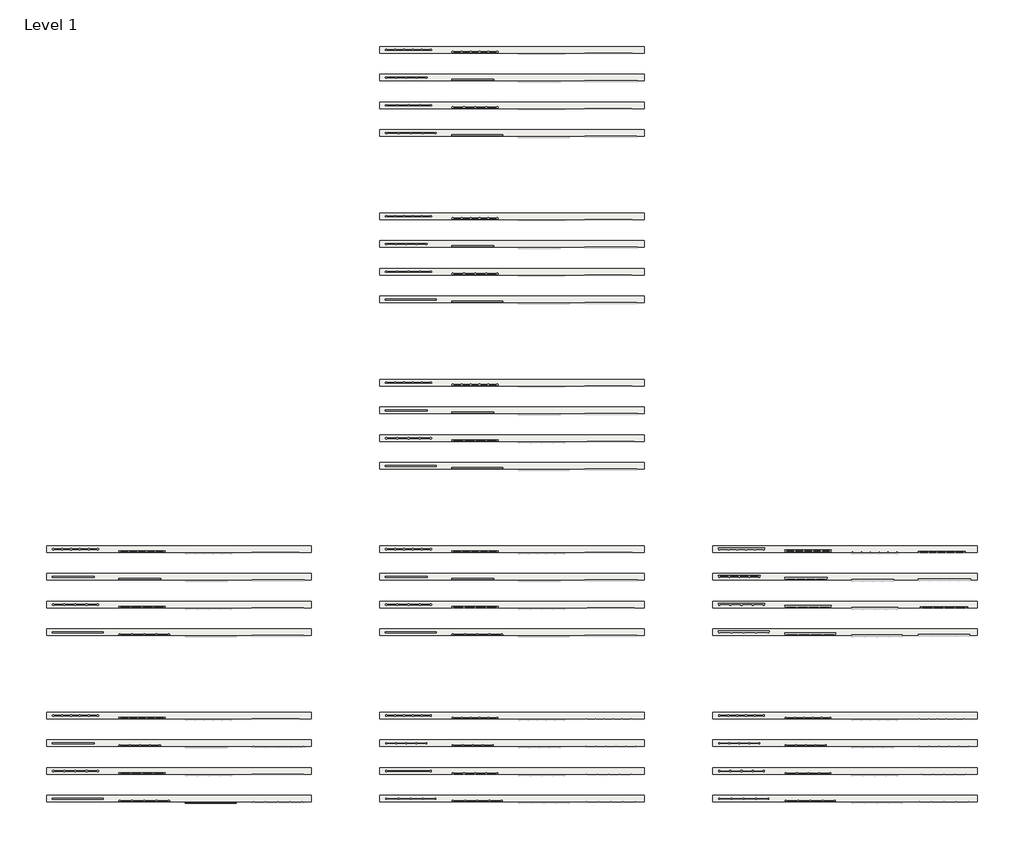
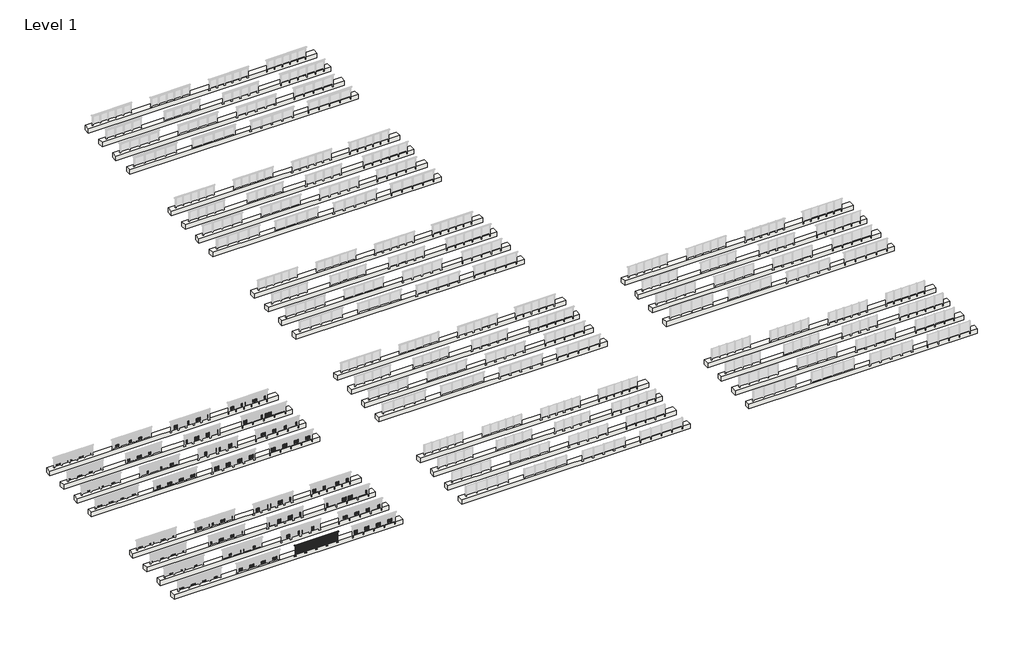
# One storey, part 1 of 37: 36 slabs, 1 railing.
"""IFC4 building model written with IfcOpenShell, lengths in millimetres."""

from ifc_helpers import new_model, si_unit, point, frame, frame_2d, origin, place, context, project, spatial, polyline, circle_curve, trimmed, segment, composite_curve, outline, extrude, faceted_brep, element, save

model = new_model("IFC4")

# Units and contexts
model_context = context("Model", 3, world=origin())
ifc_project = project(units=[si_unit("LENGTHUNIT", "METRE", prefix="MILLI")], contexts=[model_context])

# Site, building, storey
site = spatial("IfcSite", under=ifc_project)
building = spatial("IfcBuilding", under=site)
storey = spatial("IfcBuildingStorey", under=building, Name="Level 1", Elevation=0.0)

# Railing
placement = place(None, origin())
element("IfcRailing", 1, at=placement, inside=storey, context=model_context, shape_type="SolidModel", body=[
    faceted_brep([(11910.0, -152.3153172, 1100.0), (11910.0, -152.3153172, 1055.0), (11910.0, -212.3153172, 1055.0), (11910.0, -212.3153172, 1100.0), (12000.0, -152.3153172, 1100.0), (12000.0, -152.3153172, 1055.0), (12000.0, -212.3153172, 1055.0), (12000.0, -212.3153172, 1100.0), (16400.0, -152.3153172, 1100.0), (16400.0, -152.3153172, 1055.0), (16400.0, -212.3153172, 1055.0), (16400.0, -212.3153172, 1100.0), (16490.0, -152.3153172, 1100.0), (16490.0, -212.3153172, 1100.0), (16490.0, -212.3153172, 1055.0), (16490.0, -152.3153172, 1055.0)], [[[0, 1, 2, 3]], [[1, 0, 4, 5]], [[2, 1, 5, 6]], [[3, 2, 6, 7]], [[0, 3, 7, 4]], [[5, 4, 8, 9]], [[6, 5, 9, 10]], [[7, 6, 10, 11]], [[4, 7, 11, 8]], [[12, 13, 14, 15]], [[9, 8, 12, 15]], [[10, 9, 15, 14]], [[11, 10, 14, 13]], [[8, 11, 13, 12]]]),
    extrude(outline(polyline([(12000.0, -199.8153172), (12000.0, -164.8153172), (16400.0, -164.8153172), (16400.0, -199.8153172), (12000.0, -199.8153172)])), frame((0.0, 0.0, 930.0), z_axis=(0.0, 0.0, 1.0), x_axis=(1.0, 0.0, 0.0)), (0.0, 0.0, 1.0), 30.0),
    extrude(outline(polyline([(12000.0, -199.8153172), (12000.0, -164.8153172), (16400.0, -164.8153172), (16400.0, -199.8153172), (12000.0, -199.8153172)])), frame((0.0, 0.0, 95.0), z_axis=(0.0, 0.0, 1.0), x_axis=(1.0, 0.0, 0.0)), (0.0, 0.0, 1.0), 30.0),
    extrude(outline(polyline([(16308.5, -190.8153172), (16291.5, -190.8153172), (16291.5, -173.8153172), (16308.5, -173.8153172), (16308.5, -190.8153172)])), frame((0.0, 0.0, 125.0), z_axis=(0.0, 0.0, 1.0), x_axis=(1.0, 0.0, 0.0)), (0.0, 0.0, 1.0), 805.0),
    extrude(outline(polyline([(16208.5, -190.8153172), (16191.5, -190.8153172), (16191.5, -173.8153172), (16208.5, -173.8153172), (16208.5, -190.8153172)])), frame((0.0, 0.0, 125.0), z_axis=(0.0, 0.0, 1.0), x_axis=(1.0, 0.0, 0.0)), (0.0, 0.0, 1.0), 805.0),
    extrude(outline(polyline([(16108.5, -190.8153172), (16091.5, -190.8153172), (16091.5, -173.8153172), (16108.5, -173.8153172), (16108.5, -190.8153172)])), frame((0.0, 0.0, 125.0), z_axis=(0.0, 0.0, 1.0), x_axis=(1.0, 0.0, 0.0)), (0.0, 0.0, 1.0), 805.0),
    extrude(outline(polyline([(16008.5, -190.8153172), (15991.5, -190.8153172), (15991.5, -173.8153172), (16008.5, -173.8153172), (16008.5, -190.8153172)])), frame((0.0, 0.0, 125.0), z_axis=(0.0, 0.0, 1.0), x_axis=(1.0, 0.0, 0.0)), (0.0, 0.0, 1.0), 805.0),
    extrude(outline(polyline([(15908.5, -190.8153172), (15891.5, -190.8153172), (15891.5, -173.8153172), (15908.5, -173.8153172), (15908.5, -190.8153172)])), frame((0.0, 0.0, 125.0), z_axis=(0.0, 0.0, 1.0), x_axis=(1.0, 0.0, 0.0)), (0.0, 0.0, 1.0), 805.0),
    extrude(outline(polyline([(15808.5, -190.8153172), (15791.5, -190.8153172), (15791.5, -173.8153172), (15808.5, -173.8153172), (15808.5, -190.8153172)])), frame((0.0, 0.0, 125.0), z_axis=(0.0, 0.0, 1.0), x_axis=(1.0, 0.0, 0.0)), (0.0, 0.0, 1.0), 805.0),
    extrude(outline(polyline([(15708.5, -190.8153172), (15691.5, -190.8153172), (15691.5, -173.8153172), (15708.5, -173.8153172), (15708.5, -190.8153172)])), frame((0.0, 0.0, 125.0), z_axis=(0.0, 0.0, 1.0), x_axis=(1.0, 0.0, 0.0)), (0.0, 0.0, 1.0), 805.0),
    extrude(outline(polyline([(15608.5, -190.8153172), (15591.5, -190.8153172), (15591.5, -173.8153172), (15608.5, -173.8153172), (15608.5, -190.8153172)])), frame((0.0, 0.0, 125.0), z_axis=(0.0, 0.0, 1.0), x_axis=(1.0, 0.0, 0.0)), (0.0, 0.0, 1.0), 805.0),
    extrude(outline(polyline([(15508.5, -190.8153172), (15491.5, -190.8153172), (15491.5, -173.8153172), (15508.5, -173.8153172), (15508.5, -190.8153172)])), frame((0.0, 0.0, 125.0), z_axis=(0.0, 0.0, 1.0), x_axis=(1.0, 0.0, 0.0)), (0.0, 0.0, 1.0), 805.0),
    extrude(outline(polyline([(15408.5, -190.8153172), (15391.5, -190.8153172), (15391.5, -173.8153172), (15408.5, -173.8153172), (15408.5, -190.8153172)])), frame((0.0, 0.0, 125.0), z_axis=(0.0, 0.0, 1.0), x_axis=(1.0, 0.0, 0.0)), (0.0, 0.0, 1.0), 805.0),
    extrude(outline(composite_curve([segment(polyline([(-149.8153172, -70.0), (-115.8153172, -63.0), (-115.8153172, -32.5), (-99.8153172, -32.5), (-99.8153172, -167.5), (-115.8153172, -167.5), (-115.8153172, -113.5)]), True, "CONTINUOUS"), segment(trimmed(circle_curve(frame_2d((-135.8153172, -113.5)), 20.0), [point((-115.8153172, -113.5))], [point((-135.8153172, -93.5))], True, "CARTESIAN"), True, "CONTINUOUS"), segment(polyline([(-135.8153172, -93.5), (-219.8153172, -93.5), (-219.8153172, -70.0), (-149.8153172, -70.0)]), True, "CONTINUOUS")], self_intersect=False)), frame((15240.0, 0.0, 0.0), z_axis=(1.0, 0.0, 0.0), x_axis=(0.0, 1.0, 0.0)), (0.0, 0.0, 1.0), 120.0),
    extrude(outline(polyline([(15322.5, -149.8153172), (15322.5, -214.8153172), (15277.5, -214.8153172), (15277.5, -149.8153172), (15322.5, -149.8153172)])), frame((0.0, 0.0, -70.0), z_axis=(0.0, 0.0, 1.0), x_axis=(1.0, 0.0, 0.0)), (0.0, 0.0, 1.0), 1097.0),
    extrude(outline(polyline([(15310.0, -172.3153172), (15310.0, -192.3153172), (15290.0, -192.3153172), (15290.0, -172.3153172), (15310.0, -172.3153172)])), frame((0.0, 0.0, 1035.0), z_axis=(0.0, 0.0, 1.0), x_axis=(1.0, 0.0, 0.0)), (0.0, 0.0, 1.0), 20.0),
    extrude(outline(polyline([(15322.5, -149.8153172), (15322.5, -214.8153172), (15277.5, -214.8153172), (15277.5, -149.8153172), (15322.5, -149.8153172)])), frame((0.0, 0.0, 1027.0), z_axis=(0.0, 0.0, 1.0), x_axis=(1.0, 0.0, 0.0)), (0.0, 0.0, 1.0), 8.0),
    extrude(outline(polyline([(15208.5, -190.8153172), (15191.5, -190.8153172), (15191.5, -173.8153172), (15208.5, -173.8153172), (15208.5, -190.8153172)])), frame((0.0, 0.0, 125.0), z_axis=(0.0, 0.0, 1.0), x_axis=(1.0, 0.0, 0.0)), (0.0, 0.0, 1.0), 805.0),
    extrude(outline(polyline([(15108.5, -190.8153172), (15091.5, -190.8153172), (15091.5, -173.8153172), (15108.5, -173.8153172), (15108.5, -190.8153172)])), frame((0.0, 0.0, 125.0), z_axis=(0.0, 0.0, 1.0), x_axis=(1.0, 0.0, 0.0)), (0.0, 0.0, 1.0), 805.0),
    extrude(outline(polyline([(15008.5, -190.8153172), (14991.5, -190.8153172), (14991.5, -173.8153172), (15008.5, -173.8153172), (15008.5, -190.8153172)])), frame((0.0, 0.0, 125.0), z_axis=(0.0, 0.0, 1.0), x_axis=(1.0, 0.0, 0.0)), (0.0, 0.0, 1.0), 805.0),
    extrude(outline(polyline([(14908.5, -190.8153172), (14891.5, -190.8153172), (14891.5, -173.8153172), (14908.5, -173.8153172), (14908.5, -190.8153172)])), frame((0.0, 0.0, 125.0), z_axis=(0.0, 0.0, 1.0), x_axis=(1.0, 0.0, 0.0)), (0.0, 0.0, 1.0), 805.0),
    extrude(outline(polyline([(14808.5, -190.8153172), (14791.5, -190.8153172), (14791.5, -173.8153172), (14808.5, -173.8153172), (14808.5, -190.8153172)])), frame((0.0, 0.0, 125.0), z_axis=(0.0, 0.0, 1.0), x_axis=(1.0, 0.0, 0.0)), (0.0, 0.0, 1.0), 805.0),
    extrude(outline(polyline([(14708.5, -190.8153172), (14691.5, -190.8153172), (14691.5, -173.8153172), (14708.5, -173.8153172), (14708.5, -190.8153172)])), frame((0.0, 0.0, 125.0), z_axis=(0.0, 0.0, 1.0), x_axis=(1.0, 0.0, 0.0)), (0.0, 0.0, 1.0), 805.0),
    extrude(outline(polyline([(14608.5, -190.8153172), (14591.5, -190.8153172), (14591.5, -173.8153172), (14608.5, -173.8153172), (14608.5, -190.8153172)])), frame((0.0, 0.0, 125.0), z_axis=(0.0, 0.0, 1.0), x_axis=(1.0, 0.0, 0.0)), (0.0, 0.0, 1.0), 805.0),
    extrude(outline(polyline([(14508.5, -190.8153172), (14491.5, -190.8153172), (14491.5, -173.8153172), (14508.5, -173.8153172), (14508.5, -190.8153172)])), frame((0.0, 0.0, 125.0), z_axis=(0.0, 0.0, 1.0), x_axis=(1.0, 0.0, 0.0)), (0.0, 0.0, 1.0), 805.0),
    extrude(outline(polyline([(14408.5, -190.8153172), (14391.5, -190.8153172), (14391.5, -173.8153172), (14408.5, -173.8153172), (14408.5, -190.8153172)])), frame((0.0, 0.0, 125.0), z_axis=(0.0, 0.0, 1.0), x_axis=(1.0, 0.0, 0.0)), (0.0, 0.0, 1.0), 805.0),
    extrude(outline(polyline([(14308.5, -190.8153172), (14291.5, -190.8153172), (14291.5, -173.8153172), (14308.5, -173.8153172), (14308.5, -190.8153172)])), frame((0.0, 0.0, 125.0), z_axis=(0.0, 0.0, 1.0), x_axis=(1.0, 0.0, 0.0)), (0.0, 0.0, 1.0), 805.0),
    extrude(outline(composite_curve([segment(polyline([(-149.8153172, -70.0), (-115.8153172, -63.0), (-115.8153172, -32.5), (-99.8153172, -32.5), (-99.8153172, -167.5), (-115.8153172, -167.5), (-115.8153172, -113.5)]), True, "CONTINUOUS"), segment(trimmed(circle_curve(frame_2d((-135.8153172, -113.5)), 20.0), [point((-115.8153172, -113.5))], [point((-135.8153172, -93.5))], True, "CARTESIAN"), True, "CONTINUOUS"), segment(polyline([(-135.8153172, -93.5), (-219.8153172, -93.5), (-219.8153172, -70.0), (-149.8153172, -70.0)]), True, "CONTINUOUS")], self_intersect=False)), frame((14140.0, 0.0, 0.0), z_axis=(1.0, 0.0, 0.0), x_axis=(0.0, 1.0, 0.0)), (0.0, 0.0, 1.0), 120.0),
    extrude(outline(polyline([(14222.5, -149.8153172), (14222.5, -214.8153172), (14177.5, -214.8153172), (14177.5, -149.8153172), (14222.5, -149.8153172)])), frame((0.0, 0.0, -70.0), z_axis=(0.0, 0.0, 1.0), x_axis=(1.0, 0.0, 0.0)), (0.0, 0.0, 1.0), 1097.0),
    extrude(outline(polyline([(14210.0, -172.3153172), (14210.0, -192.3153172), (14190.0, -192.3153172), (14190.0, -172.3153172), (14210.0, -172.3153172)])), frame((0.0, 0.0, 1035.0), z_axis=(0.0, 0.0, 1.0), x_axis=(1.0, 0.0, 0.0)), (0.0, 0.0, 1.0), 20.0),
    extrude(outline(polyline([(14222.5, -149.8153172), (14222.5, -214.8153172), (14177.5, -214.8153172), (14177.5, -149.8153172), (14222.5, -149.8153172)])), frame((0.0, 0.0, 1027.0), z_axis=(0.0, 0.0, 1.0), x_axis=(1.0, 0.0, 0.0)), (0.0, 0.0, 1.0), 8.0),
    extrude(outline(polyline([(14108.5, -190.8153172), (14091.5, -190.8153172), (14091.5, -173.8153172), (14108.5, -173.8153172), (14108.5, -190.8153172)])), frame((0.0, 0.0, 125.0), z_axis=(0.0, 0.0, 1.0), x_axis=(1.0, 0.0, 0.0)), (0.0, 0.0, 1.0), 805.0),
    extrude(outline(polyline([(14008.5, -190.8153172), (13991.5, -190.8153172), (13991.5, -173.8153172), (14008.5, -173.8153172), (14008.5, -190.8153172)])), frame((0.0, 0.0, 125.0), z_axis=(0.0, 0.0, 1.0), x_axis=(1.0, 0.0, 0.0)), (0.0, 0.0, 1.0), 805.0),
    extrude(outline(polyline([(13908.5, -190.8153172), (13891.5, -190.8153172), (13891.5, -173.8153172), (13908.5, -173.8153172), (13908.5, -190.8153172)])), frame((0.0, 0.0, 125.0), z_axis=(0.0, 0.0, 1.0), x_axis=(1.0, 0.0, 0.0)), (0.0, 0.0, 1.0), 805.0),
    extrude(outline(polyline([(13808.5, -190.8153172), (13791.5, -190.8153172), (13791.5, -173.8153172), (13808.5, -173.8153172), (13808.5, -190.8153172)])), frame((0.0, 0.0, 125.0), z_axis=(0.0, 0.0, 1.0), x_axis=(1.0, 0.0, 0.0)), (0.0, 0.0, 1.0), 805.0),
    extrude(outline(polyline([(13708.5, -190.8153172), (13691.5, -190.8153172), (13691.5, -173.8153172), (13708.5, -173.8153172), (13708.5, -190.8153172)])), frame((0.0, 0.0, 125.0), z_axis=(0.0, 0.0, 1.0), x_axis=(1.0, 0.0, 0.0)), (0.0, 0.0, 1.0), 805.0),
    extrude(outline(polyline([(13608.5, -190.8153172), (13591.5, -190.8153172), (13591.5, -173.8153172), (13608.5, -173.8153172), (13608.5, -190.8153172)])), frame((0.0, 0.0, 125.0), z_axis=(0.0, 0.0, 1.0), x_axis=(1.0, 0.0, 0.0)), (0.0, 0.0, 1.0), 805.0),
    extrude(outline(polyline([(13508.5, -190.8153172), (13491.5, -190.8153172), (13491.5, -173.8153172), (13508.5, -173.8153172), (13508.5, -190.8153172)])), frame((0.0, 0.0, 125.0), z_axis=(0.0, 0.0, 1.0), x_axis=(1.0, 0.0, 0.0)), (0.0, 0.0, 1.0), 805.0),
    extrude(outline(polyline([(13408.5, -190.8153172), (13391.5, -190.8153172), (13391.5, -173.8153172), (13408.5, -173.8153172), (13408.5, -190.8153172)])), frame((0.0, 0.0, 125.0), z_axis=(0.0, 0.0, 1.0), x_axis=(1.0, 0.0, 0.0)), (0.0, 0.0, 1.0), 805.0),
    extrude(outline(polyline([(13308.5, -190.8153172), (13291.5, -190.8153172), (13291.5, -173.8153172), (13308.5, -173.8153172), (13308.5, -190.8153172)])), frame((0.0, 0.0, 125.0), z_axis=(0.0, 0.0, 1.0), x_axis=(1.0, 0.0, 0.0)), (0.0, 0.0, 1.0), 805.0),
    extrude(outline(polyline([(13208.5, -190.8153172), (13191.5, -190.8153172), (13191.5, -173.8153172), (13208.5, -173.8153172), (13208.5, -190.8153172)])), frame((0.0, 0.0, 125.0), z_axis=(0.0, 0.0, 1.0), x_axis=(1.0, 0.0, 0.0)), (0.0, 0.0, 1.0), 805.0),
    extrude(outline(composite_curve([segment(polyline([(-149.8153172, -70.0), (-115.8153172, -63.0), (-115.8153172, -32.5), (-99.8153172, -32.5), (-99.8153172, -167.5), (-115.8153172, -167.5), (-115.8153172, -113.5)]), True, "CONTINUOUS"), segment(trimmed(circle_curve(frame_2d((-135.8153172, -113.5)), 20.0), [point((-115.8153172, -113.5))], [point((-135.8153172, -93.5))], True, "CARTESIAN"), True, "CONTINUOUS"), segment(polyline([(-135.8153172, -93.5), (-219.8153172, -93.5), (-219.8153172, -70.0), (-149.8153172, -70.0)]), True, "CONTINUOUS")], self_intersect=False)), frame((13040.0, 0.0, 0.0), z_axis=(1.0, 0.0, 0.0), x_axis=(0.0, 1.0, 0.0)), (0.0, 0.0, 1.0), 120.0),
    extrude(outline(polyline([(13122.5, -149.8153172), (13122.5, -214.8153172), (13077.5, -214.8153172), (13077.5, -149.8153172), (13122.5, -149.8153172)])), frame((0.0, 0.0, -70.0), z_axis=(0.0, 0.0, 1.0), x_axis=(1.0, 0.0, 0.0)), (0.0, 0.0, 1.0), 1097.0),
    extrude(outline(polyline([(13110.0, -172.3153172), (13110.0, -192.3153172), (13090.0, -192.3153172), (13090.0, -172.3153172), (13110.0, -172.3153172)])), frame((0.0, 0.0, 1035.0), z_axis=(0.0, 0.0, 1.0), x_axis=(1.0, 0.0, 0.0)), (0.0, 0.0, 1.0), 20.0),
    extrude(outline(polyline([(13122.5, -149.8153172), (13122.5, -214.8153172), (13077.5, -214.8153172), (13077.5, -149.8153172), (13122.5, -149.8153172)])), frame((0.0, 0.0, 1027.0), z_axis=(0.0, 0.0, 1.0), x_axis=(1.0, 0.0, 0.0)), (0.0, 0.0, 1.0), 8.0),
    extrude(outline(polyline([(13008.5, -190.8153172), (12991.5, -190.8153172), (12991.5, -173.8153172), (13008.5, -173.8153172), (13008.5, -190.8153172)])), frame((0.0, 0.0, 125.0), z_axis=(0.0, 0.0, 1.0), x_axis=(1.0, 0.0, 0.0)), (0.0, 0.0, 1.0), 805.0),
    extrude(outline(polyline([(12908.5, -190.8153172), (12891.5, -190.8153172), (12891.5, -173.8153172), (12908.5, -173.8153172), (12908.5, -190.8153172)])), frame((0.0, 0.0, 125.0), z_axis=(0.0, 0.0, 1.0), x_axis=(1.0, 0.0, 0.0)), (0.0, 0.0, 1.0), 805.0),
    extrude(outline(polyline([(12808.5, -190.8153172), (12791.5, -190.8153172), (12791.5, -173.8153172), (12808.5, -173.8153172), (12808.5, -190.8153172)])), frame((0.0, 0.0, 125.0), z_axis=(0.0, 0.0, 1.0), x_axis=(1.0, 0.0, 0.0)), (0.0, 0.0, 1.0), 805.0),
    extrude(outline(polyline([(12708.5, -190.8153172), (12691.5, -190.8153172), (12691.5, -173.8153172), (12708.5, -173.8153172), (12708.5, -190.8153172)])), frame((0.0, 0.0, 125.0), z_axis=(0.0, 0.0, 1.0), x_axis=(1.0, 0.0, 0.0)), (0.0, 0.0, 1.0), 805.0),
    extrude(outline(polyline([(12608.5, -190.8153172), (12591.5, -190.8153172), (12591.5, -173.8153172), (12608.5, -173.8153172), (12608.5, -190.8153172)])), frame((0.0, 0.0, 125.0), z_axis=(0.0, 0.0, 1.0), x_axis=(1.0, 0.0, 0.0)), (0.0, 0.0, 1.0), 805.0),
    extrude(outline(polyline([(12508.5, -190.8153172), (12491.5, -190.8153172), (12491.5, -173.8153172), (12508.5, -173.8153172), (12508.5, -190.8153172)])), frame((0.0, 0.0, 125.0), z_axis=(0.0, 0.0, 1.0), x_axis=(1.0, 0.0, 0.0)), (0.0, 0.0, 1.0), 805.0),
    extrude(outline(polyline([(12408.5, -190.8153172), (12391.5, -190.8153172), (12391.5, -173.8153172), (12408.5, -173.8153172), (12408.5, -190.8153172)])), frame((0.0, 0.0, 125.0), z_axis=(0.0, 0.0, 1.0), x_axis=(1.0, 0.0, 0.0)), (0.0, 0.0, 1.0), 805.0),
    extrude(outline(polyline([(12308.5, -190.8153172), (12291.5, -190.8153172), (12291.5, -173.8153172), (12308.5, -173.8153172), (12308.5, -190.8153172)])), frame((0.0, 0.0, 125.0), z_axis=(0.0, 0.0, 1.0), x_axis=(1.0, 0.0, 0.0)), (0.0, 0.0, 1.0), 805.0),
    extrude(outline(polyline([(12208.5, -190.8153172), (12191.5, -190.8153172), (12191.5, -173.8153172), (12208.5, -173.8153172), (12208.5, -190.8153172)])), frame((0.0, 0.0, 125.0), z_axis=(0.0, 0.0, 1.0), x_axis=(1.0, 0.0, 0.0)), (0.0, 0.0, 1.0), 805.0),
    extrude(outline(polyline([(12108.5, -190.8153172), (12091.5, -190.8153172), (12091.5, -173.8153172), (12108.5, -173.8153172), (12108.5, -190.8153172)])), frame((0.0, 0.0, 125.0), z_axis=(0.0, 0.0, 1.0), x_axis=(1.0, 0.0, 0.0)), (0.0, 0.0, 1.0), 805.0),
    extrude(outline(composite_curve([segment(polyline([(-149.8153172, -70.0), (-115.8153172, -63.0), (-115.8153172, -32.5), (-99.8153172, -32.5), (-99.8153172, -167.5), (-115.8153172, -167.5), (-115.8153172, -113.5)]), True, "CONTINUOUS"), segment(trimmed(circle_curve(frame_2d((-135.8153172, -113.5)), 20.0), [point((-115.8153172, -113.5))], [point((-135.8153172, -93.5))], True, "CARTESIAN"), True, "CONTINUOUS"), segment(polyline([(-135.8153172, -93.5), (-219.8153172, -93.5), (-219.8153172, -70.0), (-149.8153172, -70.0)]), True, "CONTINUOUS")], self_intersect=False)), frame((16340.0, 0.0, 0.0), z_axis=(1.0, 0.0, 0.0), x_axis=(0.0, 1.0, 0.0)), (0.0, 0.0, 1.0), 120.0),
    extrude(outline(polyline([(16422.5, -149.8153172), (16422.5, -214.8153172), (16377.5, -214.8153172), (16377.5, -149.8153172), (16422.5, -149.8153172)])), frame((0.0, 0.0, -70.0), z_axis=(0.0, 0.0, 1.0), x_axis=(1.0, 0.0, 0.0)), (0.0, 0.0, 1.0), 1097.0),
    extrude(outline(polyline([(16410.0, -172.3153172), (16410.0, -192.3153172), (16390.0, -192.3153172), (16390.0, -172.3153172), (16410.0, -172.3153172)])), frame((0.0, 0.0, 1035.0), z_axis=(0.0, 0.0, 1.0), x_axis=(1.0, 0.0, 0.0)), (0.0, 0.0, 1.0), 20.0),
    extrude(outline(polyline([(16422.5, -149.8153172), (16422.5, -214.8153172), (16377.5, -214.8153172), (16377.5, -149.8153172), (16422.5, -149.8153172)])), frame((0.0, 0.0, 1027.0), z_axis=(0.0, 0.0, 1.0), x_axis=(1.0, 0.0, 0.0)), (0.0, 0.0, 1.0), 8.0),
    extrude(outline(composite_curve([segment(polyline([(-149.8153172, -70.0), (-115.8153172, -63.0), (-115.8153172, -32.5), (-99.8153172, -32.5), (-99.8153172, -167.5), (-115.8153172, -167.5), (-115.8153172, -113.5)]), True, "CONTINUOUS"), segment(trimmed(circle_curve(frame_2d((-135.8153172, -113.5)), 20.0), [point((-115.8153172, -113.5))], [point((-135.8153172, -93.5))], True, "CARTESIAN"), True, "CONTINUOUS"), segment(polyline([(-135.8153172, -93.5), (-219.8153172, -93.5), (-219.8153172, -70.0), (-149.8153172, -70.0)]), True, "CONTINUOUS")], self_intersect=False)), frame((11940.0, 0.0, 0.0), z_axis=(1.0, 0.0, 0.0), x_axis=(0.0, 1.0, 0.0)), (0.0, 0.0, 1.0), 120.0),
    extrude(outline(polyline([(12022.5, -149.8153172), (12022.5, -214.8153172), (11977.5, -214.8153172), (11977.5, -149.8153172), (12022.5, -149.8153172)])), frame((0.0, 0.0, -70.0), z_axis=(0.0, 0.0, 1.0), x_axis=(1.0, 0.0, 0.0)), (0.0, 0.0, 1.0), 1097.0),
    extrude(outline(polyline([(12010.0, -172.3153172), (12010.0, -192.3153172), (11990.0, -192.3153172), (11990.0, -172.3153172), (12010.0, -172.3153172)])), frame((0.0, 0.0, 1035.0), z_axis=(0.0, 0.0, 1.0), x_axis=(1.0, 0.0, 0.0)), (0.0, 0.0, 1.0), 20.0),
    extrude(outline(polyline([(12022.5, -149.8153172), (12022.5, -214.8153172), (11977.5, -214.8153172), (11977.5, -149.8153172), (12022.5, -149.8153172)])), frame((0.0, 0.0, 1027.0), z_axis=(0.0, 0.0, 1.0), x_axis=(1.0, 0.0, 0.0)), (0.0, 0.0, 1.0), 8.0),
])

# Slabs
element("IfcSlab", 2, ObjectType="Generic 500", at=placement, inside=storey, context=model_context, shape_type="SweptSolid", body=[
    extrude(outline(polyline([(23250.0, -99.8153172), (-600.0, -99.8153172), (-600.0, 490.1846828), (23250.0, 490.1846828), (23250.0, -99.8153172)])), frame((0.0, 0.0, -500.0), z_axis=(0.0, 0.0, 1.0), x_axis=(1.0, 0.0, 0.0)), (0.0, 0.0, 1.0), 500.0),
])
element("IfcSlab", 3, ObjectType="Generic 500", at=placement, inside=storey, context=model_context, shape_type="SweptSolid", body=[
    extrude(outline(polyline([(23250.0, 2400.1846828), (-600.0, 2400.1846828), (-600.0, 2990.1846828), (23250.0, 2990.1846828), (23250.0, 2400.1846828)])), frame((0.0, 0.0, -500.0), z_axis=(0.0, 0.0, 1.0), x_axis=(1.0, 0.0, 0.0)), (0.0, 0.0, 1.0), 500.0),
])
element("IfcSlab", 4, ObjectType="Generic 500", at=placement, inside=storey, context=model_context, shape_type="SweptSolid", body=[
    extrude(outline(polyline([(23250.0, 4900.1846828), (-600.0, 4900.1846828), (-600.0, 5490.1846828), (23250.0, 5490.1846828), (23250.0, 4900.1846828)])), frame((0.0, 0.0, -500.0), z_axis=(0.0, 0.0, 1.0), x_axis=(1.0, 0.0, 0.0)), (0.0, 0.0, 1.0), 500.0),
])
element("IfcSlab", 5, ObjectType="Generic 500", at=placement, inside=storey, context=model_context, shape_type="SweptSolid", body=[
    extrude(outline(polyline([(23250.0, 7400.1846828), (-600.0, 7400.1846828), (-600.0, 7990.1846828), (23250.0, 7990.1846828), (23250.0, 7400.1846828)])), frame((0.0, 0.0, -500.0), z_axis=(0.0, 0.0, 1.0), x_axis=(1.0, 0.0, 0.0)), (0.0, 0.0, 1.0), 500.0),
])
element("IfcSlab", 6, ObjectType="Generic 500", at=placement, inside=storey, context=model_context, shape_type="SweptSolid", body=[
    extrude(outline(polyline([(23250.0, 14900.1846828), (-600.0, 14900.1846828), (-600.0, 15490.1846828), (23250.0, 15490.1846828), (23250.0, 14900.1846828)])), frame((0.0, 0.0, -500.0), z_axis=(0.0, 0.0, 1.0), x_axis=(1.0, 0.0, 0.0)), (0.0, 0.0, 1.0), 500.0),
])
element("IfcSlab", 7, ObjectType="Generic 500", at=placement, inside=storey, context=model_context, shape_type="SweptSolid", body=[
    extrude(outline(polyline([(23250.0, 17400.1846828), (-600.0, 17400.1846828), (-600.0, 17990.1846828), (23250.0, 17990.1846828), (23250.0, 17400.1846828)])), frame((0.0, 0.0, -500.0), z_axis=(0.0, 0.0, 1.0), x_axis=(1.0, 0.0, 0.0)), (0.0, 0.0, 1.0), 500.0),
])
element("IfcSlab", 8, ObjectType="Generic 500", at=placement, inside=storey, context=model_context, shape_type="SweptSolid", body=[
    extrude(outline(polyline([(23250.0, 19900.1846828), (-600.0, 19900.1846828), (-600.0, 20490.1846828), (23250.0, 20490.1846828), (23250.0, 19900.1846828)])), frame((0.0, 0.0, -500.0), z_axis=(0.0, 0.0, 1.0), x_axis=(1.0, 0.0, 0.0)), (0.0, 0.0, 1.0), 500.0),
])
element("IfcSlab", 9, ObjectType="Generic 500", at=placement, inside=storey, context=model_context, shape_type="SweptSolid", body=[
    extrude(outline(polyline([(23250.0, 22400.1846828), (-600.0, 22400.1846828), (-600.0, 22990.1846828), (23250.0, 22990.1846828), (23250.0, 22400.1846828)])), frame((0.0, 0.0, -500.0), z_axis=(0.0, 0.0, 1.0), x_axis=(1.0, 0.0, 0.0)), (0.0, 0.0, 1.0), 500.0),
])
element("IfcSlab", 10, ObjectType="Generic 500", at=placement, inside=storey, context=model_context, shape_type="SweptSolid", body=[
    extrude(outline(polyline([(53250.0, 14900.1846828), (29400.0, 14900.1846828), (29400.0, 15490.1846828), (53250.0, 15490.1846828), (53250.0, 14900.1846828)])), frame((0.0, 0.0, -500.0), z_axis=(0.0, 0.0, 1.0), x_axis=(1.0, 0.0, 0.0)), (0.0, 0.0, 1.0), 500.0),
])
element("IfcSlab", 11, ObjectType="Generic 500", at=placement, inside=storey, context=model_context, shape_type="SweptSolid", body=[
    extrude(outline(polyline([(53250.0, 17400.1846828), (29400.0, 17400.1846828), (29400.0, 17990.1846828), (53250.0, 17990.1846828), (53250.0, 17400.1846828)])), frame((0.0, 0.0, -500.0), z_axis=(0.0, 0.0, 1.0), x_axis=(1.0, 0.0, 0.0)), (0.0, 0.0, 1.0), 500.0),
])
element("IfcSlab", 12, ObjectType="Generic 500", at=placement, inside=storey, context=model_context, shape_type="SweptSolid", body=[
    extrude(outline(polyline([(53250.0, 19900.1846828), (29400.0, 19900.1846828), (29400.0, 20490.1846828), (53250.0, 20490.1846828), (53250.0, 19900.1846828)])), frame((0.0, 0.0, -500.0), z_axis=(0.0, 0.0, 1.0), x_axis=(1.0, 0.0, 0.0)), (0.0, 0.0, 1.0), 500.0),
])
element("IfcSlab", 13, ObjectType="Generic 500", at=placement, inside=storey, context=model_context, shape_type="SweptSolid", body=[
    extrude(outline(polyline([(53250.0, 22400.1846828), (29400.0, 22400.1846828), (29400.0, 22990.1846828), (53250.0, 22990.1846828), (53250.0, 22400.1846828)])), frame((0.0, 0.0, -500.0), z_axis=(0.0, 0.0, 1.0), x_axis=(1.0, 0.0, 0.0)), (0.0, 0.0, 1.0), 500.0),
])
element("IfcSlab", 14, ObjectType="Generic 500", at=placement, inside=storey, context=model_context, shape_type="SweptSolid", body=[
    extrude(outline(polyline([(53250.0, -99.8153172), (29400.0, -99.8153172), (29400.0, 490.1846828), (53250.0, 490.1846828), (53250.0, -99.8153172)])), frame((0.0, 0.0, -500.0), z_axis=(0.0, 0.0, 1.0), x_axis=(1.0, 0.0, 0.0)), (0.0, 0.0, 1.0), 500.0),
])
element("IfcSlab", 15, ObjectType="Generic 500", at=placement, inside=storey, context=model_context, shape_type="SweptSolid", body=[
    extrude(outline(polyline([(53250.0, 2400.1846828), (29400.0, 2400.1846828), (29400.0, 2990.1846828), (53250.0, 2990.1846828), (53250.0, 2400.1846828)])), frame((0.0, 0.0, -500.0), z_axis=(0.0, 0.0, 1.0), x_axis=(1.0, 0.0, 0.0)), (0.0, 0.0, 1.0), 500.0),
])
element("IfcSlab", 16, ObjectType="Generic 500", at=placement, inside=storey, context=model_context, shape_type="SweptSolid", body=[
    extrude(outline(polyline([(53250.0, 4900.1846828), (29400.0, 4900.1846828), (29400.0, 5490.1846828), (53250.0, 5490.1846828), (53250.0, 4900.1846828)])), frame((0.0, 0.0, -500.0), z_axis=(0.0, 0.0, 1.0), x_axis=(1.0, 0.0, 0.0)), (0.0, 0.0, 1.0), 500.0),
])
element("IfcSlab", 17, ObjectType="Generic 500", at=placement, inside=storey, context=model_context, shape_type="SweptSolid", body=[
    extrude(outline(polyline([(53250.0, 7400.1846828), (29400.0, 7400.1846828), (29400.0, 7990.1846828), (53250.0, 7990.1846828), (53250.0, 7400.1846828)])), frame((0.0, 0.0, -500.0), z_axis=(0.0, 0.0, 1.0), x_axis=(1.0, 0.0, 0.0)), (0.0, 0.0, 1.0), 500.0),
])
element("IfcSlab", 18, ObjectType="Generic 500", at=placement, inside=storey, context=model_context, shape_type="SweptSolid", body=[
    extrude(outline(polyline([(53250.0, 29900.1846828), (29400.0, 29900.1846828), (29400.0, 30490.1846828), (53250.0, 30490.1846828), (53250.0, 29900.1846828)])), frame((0.0, 0.0, -500.0), z_axis=(0.0, 0.0, 1.0), x_axis=(1.0, 0.0, 0.0)), (0.0, 0.0, 1.0), 500.0),
])
element("IfcSlab", 19, ObjectType="Generic 500", at=placement, inside=storey, context=model_context, shape_type="SweptSolid", body=[
    extrude(outline(polyline([(53250.0, 32400.1846828), (29400.0, 32400.1846828), (29400.0, 32990.1846828), (53250.0, 32990.1846828), (53250.0, 32400.1846828)])), frame((0.0, 0.0, -500.0), z_axis=(0.0, 0.0, 1.0), x_axis=(1.0, 0.0, 0.0)), (0.0, 0.0, 1.0), 500.0),
])
element("IfcSlab", 20, ObjectType="Generic 500", at=placement, inside=storey, context=model_context, shape_type="SweptSolid", body=[
    extrude(outline(polyline([(53250.0, 34900.1846828), (29400.0, 34900.1846828), (29400.0, 35490.1846828), (53250.0, 35490.1846828), (53250.0, 34900.1846828)])), frame((0.0, 0.0, -500.0), z_axis=(0.0, 0.0, 1.0), x_axis=(1.0, 0.0, 0.0)), (0.0, 0.0, 1.0), 500.0),
])
element("IfcSlab", 21, ObjectType="Generic 500", at=placement, inside=storey, context=model_context, shape_type="SweptSolid", body=[
    extrude(outline(polyline([(53250.0, 37400.1846828), (29400.0, 37400.1846828), (29400.0, 37990.1846828), (53250.0, 37990.1846828), (53250.0, 37400.1846828)])), frame((0.0, 0.0, -500.0), z_axis=(0.0, 0.0, 1.0), x_axis=(1.0, 0.0, 0.0)), (0.0, 0.0, 1.0), 500.0),
])
element("IfcSlab", 22, ObjectType="Generic 500", at=placement, inside=storey, context=model_context, shape_type="SweptSolid", body=[
    extrude(outline(polyline([(53250.0, 44900.1846828), (29400.0, 44900.1846828), (29400.0, 45490.1846828), (53250.0, 45490.1846828), (53250.0, 44900.1846828)])), frame((0.0, 0.0, -500.0), z_axis=(0.0, 0.0, 1.0), x_axis=(1.0, 0.0, 0.0)), (0.0, 0.0, 1.0), 500.0),
])
element("IfcSlab", 23, ObjectType="Generic 500", at=placement, inside=storey, context=model_context, shape_type="SweptSolid", body=[
    extrude(outline(polyline([(53250.0, 47400.1846828), (29400.0, 47400.1846828), (29400.0, 47990.1846828), (53250.0, 47990.1846828), (53250.0, 47400.1846828)])), frame((0.0, 0.0, -500.0), z_axis=(0.0, 0.0, 1.0), x_axis=(1.0, 0.0, 0.0)), (0.0, 0.0, 1.0), 500.0),
])
element("IfcSlab", 24, ObjectType="Generic 500", at=placement, inside=storey, context=model_context, shape_type="SweptSolid", body=[
    extrude(outline(polyline([(53250.0, 49900.1846828), (29400.0, 49900.1846828), (29400.0, 50490.1846828), (53250.0, 50490.1846828), (53250.0, 49900.1846828)])), frame((0.0, 0.0, -500.0), z_axis=(0.0, 0.0, 1.0), x_axis=(1.0, 0.0, 0.0)), (0.0, 0.0, 1.0), 500.0),
])
element("IfcSlab", 25, ObjectType="Generic 500", at=placement, inside=storey, context=model_context, shape_type="SweptSolid", body=[
    extrude(outline(polyline([(53250.0, 52400.1846828), (29400.0, 52400.1846828), (29400.0, 52990.1846828), (53250.0, 52990.1846828), (53250.0, 52400.1846828)])), frame((0.0, 0.0, -500.0), z_axis=(0.0, 0.0, 1.0), x_axis=(1.0, 0.0, 0.0)), (0.0, 0.0, 1.0), 500.0),
])
element("IfcSlab", 26, ObjectType="Generic 500", at=placement, inside=storey, context=model_context, shape_type="SweptSolid", body=[
    extrude(outline(polyline([(53250.0, 59900.1846828), (29400.0, 59900.1846828), (29400.0, 60490.1846828), (53250.0, 60490.1846828), (53250.0, 59900.1846828)])), frame((0.0, 0.0, -500.0), z_axis=(0.0, 0.0, 1.0), x_axis=(1.0, 0.0, 0.0)), (0.0, 0.0, 1.0), 500.0),
])
element("IfcSlab", 27, ObjectType="Generic 500", at=placement, inside=storey, context=model_context, shape_type="SweptSolid", body=[
    extrude(outline(polyline([(53250.0, 62400.1846828), (29400.0, 62400.1846828), (29400.0, 62990.1846828), (53250.0, 62990.1846828), (53250.0, 62400.1846828)])), frame((0.0, 0.0, -500.0), z_axis=(0.0, 0.0, 1.0), x_axis=(1.0, 0.0, 0.0)), (0.0, 0.0, 1.0), 500.0),
])
element("IfcSlab", 28, ObjectType="Generic 500", at=placement, inside=storey, context=model_context, shape_type="SweptSolid", body=[
    extrude(outline(polyline([(53250.0, 64900.1846828), (29400.0, 64900.1846828), (29400.0, 65490.1846828), (53250.0, 65490.1846828), (53250.0, 64900.1846828)])), frame((0.0, 0.0, -500.0), z_axis=(0.0, 0.0, 1.0), x_axis=(1.0, 0.0, 0.0)), (0.0, 0.0, 1.0), 500.0),
])
element("IfcSlab", 29, ObjectType="Generic 500", at=placement, inside=storey, context=model_context, shape_type="SweptSolid", body=[
    extrude(outline(polyline([(53250.0, 67400.1846828), (29400.0, 67400.1846828), (29400.0, 67990.1846828), (53250.0, 67990.1846828), (53250.0, 67400.1846828)])), frame((0.0, 0.0, -500.0), z_axis=(0.0, 0.0, 1.0), x_axis=(1.0, 0.0, 0.0)), (0.0, 0.0, 1.0), 500.0),
])
element("IfcSlab", 30, ObjectType="Generic 500", at=placement, inside=storey, context=model_context, shape_type="SweptSolid", body=[
    extrude(outline(polyline([(83250.0, -99.8153172), (59400.0, -99.8153172), (59400.0, 490.1846828), (83250.0, 490.1846828), (83250.0, -99.8153172)])), frame((0.0, 0.0, -500.0), z_axis=(0.0, 0.0, 1.0), x_axis=(1.0, 0.0, 0.0)), (0.0, 0.0, 1.0), 500.0),
])
element("IfcSlab", 31, ObjectType="Generic 500", at=placement, inside=storey, context=model_context, shape_type="SweptSolid", body=[
    extrude(outline(polyline([(83250.0, 2400.1846828), (59400.0, 2400.1846828), (59400.0, 2990.1846828), (83250.0, 2990.1846828), (83250.0, 2400.1846828)])), frame((0.0, 0.0, -500.0), z_axis=(0.0, 0.0, 1.0), x_axis=(1.0, 0.0, 0.0)), (0.0, 0.0, 1.0), 500.0),
])
element("IfcSlab", 32, ObjectType="Generic 500", at=placement, inside=storey, context=model_context, shape_type="SweptSolid", body=[
    extrude(outline(polyline([(83250.0, 4900.1846828), (59400.0, 4900.1846828), (59400.0, 5490.1846828), (83250.0, 5490.1846828), (83250.0, 4900.1846828)])), frame((0.0, 0.0, -500.0), z_axis=(0.0, 0.0, 1.0), x_axis=(1.0, 0.0, 0.0)), (0.0, 0.0, 1.0), 500.0),
])
element("IfcSlab", 33, ObjectType="Generic 500", at=placement, inside=storey, context=model_context, shape_type="SweptSolid", body=[
    extrude(outline(polyline([(83250.0, 7400.1846828), (59400.0, 7400.1846828), (59400.0, 7990.1846828), (83250.0, 7990.1846828), (83250.0, 7400.1846828)])), frame((0.0, 0.0, -500.0), z_axis=(0.0, 0.0, 1.0), x_axis=(1.0, 0.0, 0.0)), (0.0, 0.0, 1.0), 500.0),
])
element("IfcSlab", 34, ObjectType="Generic 500", at=placement, inside=storey, context=model_context, shape_type="SweptSolid", body=[
    extrude(outline(polyline([(83250.0, 14900.1846828), (59400.0, 14900.1846828), (59400.0, 15490.1846828), (83250.0, 15490.1846828), (83250.0, 14900.1846828)])), frame((0.0, 0.0, -500.0), z_axis=(0.0, 0.0, 1.0), x_axis=(1.0, 0.0, 0.0)), (0.0, 0.0, 1.0), 500.0),
])
element("IfcSlab", 35, ObjectType="Generic 500", at=placement, inside=storey, context=model_context, shape_type="SweptSolid", body=[
    extrude(outline(polyline([(83250.0, 17400.1846828), (59400.0, 17400.1846828), (59400.0, 17990.1846828), (83250.0, 17990.1846828), (83250.0, 17400.1846828)])), frame((0.0, 0.0, -500.0), z_axis=(0.0, 0.0, 1.0), x_axis=(1.0, 0.0, 0.0)), (0.0, 0.0, 1.0), 500.0),
])
element("IfcSlab", 36, ObjectType="Generic 500", at=placement, inside=storey, context=model_context, shape_type="SweptSolid", body=[
    extrude(outline(polyline([(83250.0, 19900.1846828), (59400.0, 19900.1846828), (59400.0, 20490.1846828), (83250.0, 20490.1846828), (83250.0, 19900.1846828)])), frame((0.0, 0.0, -500.0), z_axis=(0.0, 0.0, 1.0), x_axis=(1.0, 0.0, 0.0)), (0.0, 0.0, 1.0), 500.0),
])
element("IfcSlab", 37, ObjectType="Generic 500", at=placement, inside=storey, context=model_context, shape_type="SweptSolid", body=[
    extrude(outline(polyline([(83250.0, 22400.1846828), (59400.0, 22400.1846828), (59400.0, 22990.1846828), (83250.0, 22990.1846828), (83250.0, 22400.1846828)])), frame((0.0, 0.0, -500.0), z_axis=(0.0, 0.0, 1.0), x_axis=(1.0, 0.0, 0.0)), (0.0, 0.0, 1.0), 500.0),
])

save(model, "model.ifc")
